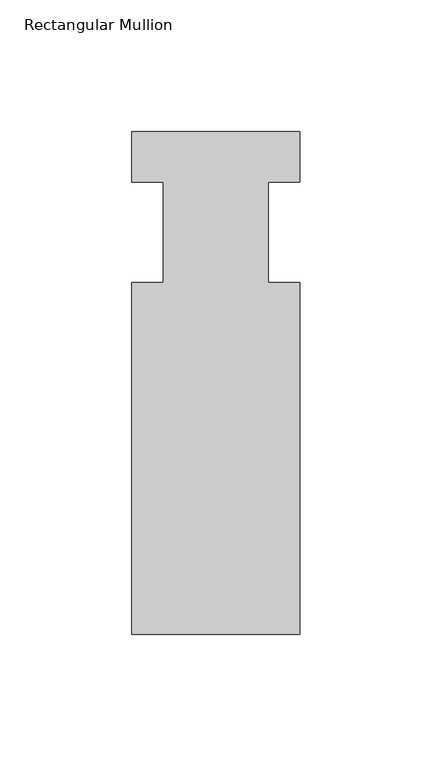
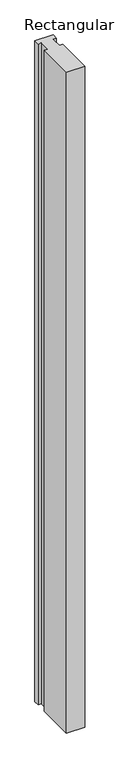
"""IFC4 building model written with IfcOpenShell, lengths in millimetres: member geometry, Rectangular Mullion."""

from ifc_helpers import new_model, si_unit, frame, origin, place, context, project, spatial, polyline, outline, extrude, source, transform, mapped, element, save


def rectangular_mullion_efe9c43e(model_context):
    return source(origin(), model_context, "Body", "SweptSolid", [
        extrude(outline(polyline([(31.75, -152.4), (-31.75, -152.4), (-31.75, -19.0495158), (-19.8374, -19.0495158), (-19.8374, 19.0504842), (-31.75, 19.0504842), (-31.75, 38.1), (31.75, 38.1), (31.75, 19.0504842), (19.8374, 19.0504842), (19.8374, -19.0495158), (31.75, -19.0495158), (31.75, -152.4)])), frame((0.0, 0.0, -2438.4), z_axis=(0.0, 0.0, 1.0), x_axis=(1.0, 0.0, 0.0)), (0.0, 0.0, 1.0), 2438.4),
    ])


if __name__ == "__main__":
    model = new_model("IFC4")
    model_context = context("Model", 3, world=origin())
    ifc_project = project(units=[si_unit("LENGTHUNIT", "METRE", prefix="MILLI")], contexts=[model_context])
    site = spatial("IfcSite", under=ifc_project)
    building = spatial("IfcBuilding", under=site)
    placement = place(None, origin())
    rectangular_mullion_shape = rectangular_mullion_efe9c43e(model_context)
    element("IfcMember", 1, ObjectType="Rectangular Mullion", at=placement, inside=building, context=model_context, shape_type="MappedRepresentation", body=[
        mapped(rectangular_mullion_shape, transform((0.0, 0.0, 0.0), x_axis=(1.0, 0.0, 0.0), y_axis=(0.0, 1.0, 0.0), z_axis=(0.0, 0.0, 1.0))),
    ])
    save(model, "model.ifc")
